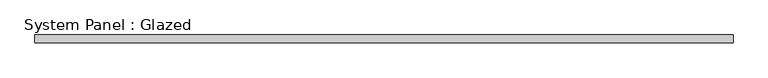
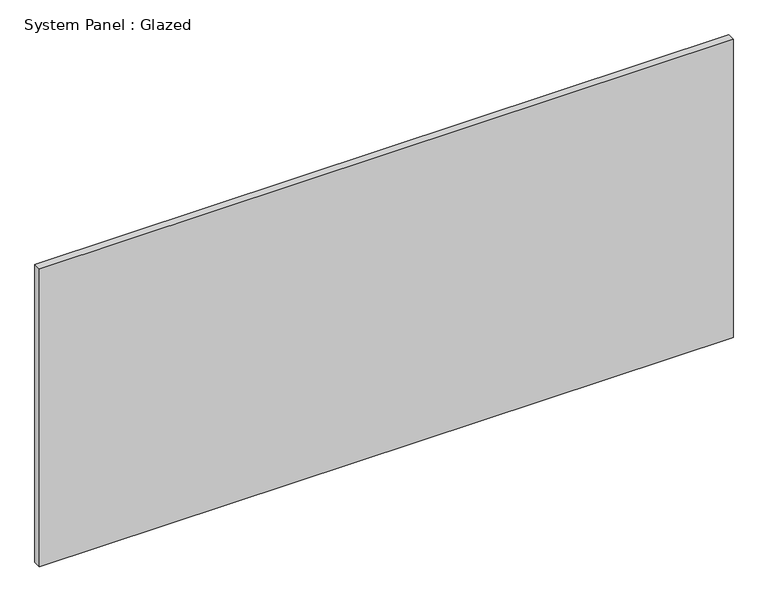
"""IFC4 building model written with IfcOpenShell, lengths in millimetres: plate geometry, System Panel : Glazed."""

import ifcopenshell
import ifcopenshell.guid

model = None  # the IFC model being written
_history = None  # IfcOwnerHistory: only IFC2X3 demands one
_inside = {}  # id of a spatial element -> (the spatial element, [elements in it])
_under = {}  # id of a project, library or spatial element -> (it, [spatial elements below it])
_declared = {}  # id of a project -> (the project, [libraries it declares])
_typed = {}  # id of a type object -> (the type object, [elements of that type])
_made_of = {}  # id of a material, layer set ... -> (it, [elements and type objects made of it])


def new_model(schema):
    """Start an empty IFC model of exactly this schema.

    Asked for "IFC4X3", IfcOpenShell would pick the latest addendum, in which some entities
    have other attributes; the version numbers below select the first issue.
    IFC2X3 requires an IfcOwnerHistory on every rooted entity: one is made here for all.
    """
    global model, _history
    if schema == "IFC4X3":
        model = ifcopenshell.file(schema_version=(4, 3, 0, 0))
    else:
        model = ifcopenshell.file(schema=schema)
    _inside.clear()
    _under.clear()
    _declared.clear()
    _typed.clear()
    _made_of.clear()
    _history = None
    if model.schema == "IFC2X3":
        org = make("IfcOrganization", Name="unknown")
        user = make(
            "IfcPersonAndOrganization",
            ThePerson=make("IfcPerson", FamilyName="unknown"),
            TheOrganization=org,
        )
        app = make(
            "IfcApplication",
            ApplicationDeveloper=org,
            Version="unknown",
            ApplicationFullName="unknown",
            ApplicationIdentifier="unknown",
        )
        _history = make(
            "IfcOwnerHistory",
            OwningUser=user,
            OwningApplication=app,
            ChangeAction="ADDED",
            CreationDate=0,
        )
    return model


def make(cls, **values):
    """One entity of the class cls with the attributes given. An attribute that is None is left unset."""
    return model.create_entity(
        cls, **{name: value for name, value in values.items() if value is not None}
    )


def rooted(cls, **values):
    """An entity with a GlobalId (a new one), such as an element, a storey or a relation."""
    return make(cls, GlobalId=ifcopenshell.guid.new(), OwnerHistory=_history, **values)


def si_unit(unit_type, name, prefix=None):
    """IfcSIUnit, for example si_unit("LENGTHUNIT", "METRE", prefix="MILLI")."""
    return make("IfcSIUnit", UnitType=unit_type, Prefix=prefix, Name=name)


def assignment(units):
    """IfcUnitAssignment: the units of a project."""
    return None if units is None else make("IfcUnitAssignment", Units=units)


def point(xyz):
    """IfcCartesianPoint."""
    return None if xyz is None else make("IfcCartesianPoint", Coordinates=xyz)


def direction(xyz):
    """IfcDirection."""
    return None if xyz is None else make("IfcDirection", DirectionRatios=xyz)


def frame(location, z_axis=None, x_axis=None):
    """IfcAxis2Placement3D, a coordinate frame: its origin and axes. An axis left out is left unset."""
    return make(
        "IfcAxis2Placement3D",
        Location=point(location),
        Axis=direction(z_axis),
        RefDirection=direction(x_axis),
    )


def origin():
    """The frame at (0, 0, 0) with its axes left unset."""
    return frame((0.0, 0.0, 0.0))


def origin_with_axes():
    """The frame at (0, 0, 0) with the z axis (0, 0, 1) and the x axis (1, 0, 0) written out."""
    return frame((0.0, 0.0, 0.0), z_axis=(0.0, 0.0, 1.0), x_axis=(1.0, 0.0, 0.0))


def place(relative_to, where):
    """IfcLocalPlacement: puts the frame where relative to a parent placement (None: the world)."""
    return make(
        "IfcLocalPlacement", PlacementRelTo=relative_to, RelativePlacement=where
    )


def context(
    kind, dimensions, precision=None, world=None, true_north=None, identifier=None
):
    """IfcGeometricRepresentationContext, for example the 3D "Model" context."""
    return make(
        "IfcGeometricRepresentationContext",
        ContextIdentifier=identifier,
        ContextType=kind,
        CoordinateSpaceDimension=dimensions,
        Precision=precision,
        WorldCoordinateSystem=world,
        TrueNorth=true_north,
    )


def project(units=None, contexts=None):
    """IfcProject with its units and contexts."""
    return rooted(
        "IfcProject",
        Name="project",
        RepresentationContexts=contexts,
        UnitsInContext=assignment(units),
    )


def spatial(cls, under=None, at=None, **own):
    """A site, building, storey or space (cls), placed at a placement, below another one or the project."""
    s = rooted(cls, ObjectPlacement=at, **own)
    if under is not None:
        _under.setdefault(under.id(), (under, []))[1].append(s)
    return s


def polyline(points):
    """IfcPolyline through the points."""
    return make("IfcPolyline", Points=[point(p) for p in points])


def outline(outer, holes=None, kind="AREA"):
    """IfcArbitraryClosedProfileDef: a profile drawn as a closed curve; with holes, ...WithVoids."""
    if holes is None:
        return make("IfcArbitraryClosedProfileDef", ProfileType=kind, OuterCurve=outer)
    return make(
        "IfcArbitraryProfileDefWithVoids",
        ProfileType=kind,
        OuterCurve=outer,
        InnerCurves=holes,
    )


def extrude(swept, where, along, depth):
    """IfcExtrudedAreaSolid: the profile swept, set in the frame where, extruded along a direction by depth."""
    return make(
        "IfcExtrudedAreaSolid",
        SweptArea=swept,
        Position=where,
        ExtrudedDirection=direction(along),
        Depth=depth,
    )


def shape(context_of_items, identifier, shape_type, items):
    """IfcShapeRepresentation: the items that make up one representation, for example the "Body"."""
    return make(
        "IfcShapeRepresentation",
        ContextOfItems=context_of_items,
        RepresentationIdentifier=identifier,
        RepresentationType=shape_type,
        Items=items,
    )


def source(mapping_origin, context_of_items, identifier, shape_type, items):
    """IfcRepresentationMap: a shape defined once, which mapped items show again and again."""
    return make(
        "IfcRepresentationMap",
        MappingOrigin=mapping_origin,
        MappedRepresentation=shape(context_of_items, identifier, shape_type, items),
    )


def transform(
    local_origin,
    x_axis=None,
    y_axis=None,
    z_axis=None,
    scale=None,
    scale2=None,
    scale3=None,
    uniform=True,
):
    """IfcCartesianTransformationOperator3D, or its non-uniform kind. x_axis, y_axis, z_axis: its Axis1, 2, 3."""
    if uniform:
        return make(
            "IfcCartesianTransformationOperator3D",
            Axis1=direction(x_axis),
            Axis2=direction(y_axis),
            LocalOrigin=point(local_origin),
            Scale=scale,
            Axis3=direction(z_axis),
        )
    return make(
        "IfcCartesianTransformationOperator3DnonUniform",
        Axis1=direction(x_axis),
        Axis2=direction(y_axis),
        LocalOrigin=point(local_origin),
        Scale=scale,
        Axis3=direction(z_axis),
        Scale2=scale2,
        Scale3=scale3,
    )


def mapped(mapping_source, mapping_target):
    """IfcMappedItem: shows the shape of a source again, moved by a transform."""
    return make(
        "IfcMappedItem", MappingSource=mapping_source, MappingTarget=mapping_target
    )


def made_of(thing, what):
    """Note that an element or type object is made of a material, layer set ...; save() writes the relation."""
    if what is not None:
        _made_of.setdefault(what.id(), (what, []))[1].append(thing)
    return thing


def element(
    cls,
    number,
    at=None,
    inside=None,
    cuts=None,
    type_object=None,
    material=None,
    context=None,
    identifier="Body",
    shape_type=None,
    held_by="IfcProductDefinitionShape",
    body=None,
    shapes=None,
    **own,
):
    """One element of the class cls, such as IfcWall. Its Tag is "e" and its number.

    at: its placement. inside: the storey or other place that contains it. cuts: it is an
    opening in that element (IfcRelVoidsElement). A single representation is given by context,
    identifier, shape_type and body (its items); several are given by shapes. held_by: the class
    of the entity that holds the representations. save() writes the other relations.
    """
    e = rooted(cls, Tag="e%d" % number, ObjectPlacement=at, **own)
    if body is not None:
        shapes = [shape(context, identifier, shape_type, body)]
    if shapes is not None:
        e.Representation = make(held_by, Representations=shapes)
    if inside is not None:
        _inside.setdefault(inside.id(), (inside, []))[1].append(e)
    if cuts is not None:
        rooted(
            "IfcRelVoidsElement", RelatingBuildingElement=cuts, RelatedOpeningElement=e
        )
    if type_object is not None:
        _typed.setdefault(type_object.id(), (type_object, []))[1].append(e)
    return made_of(e, material)


def aggregate(whole, parts):
    """IfcRelAggregates: a whole, such as a stair, and the parts it consists of."""
    return rooted("IfcRelAggregates", RelatingObject=whole, RelatedObjects=parts)


def save(model, path):
    """Write the relations noted so far, then the file.

    IfcRelAggregates (storeys below a building ...), IfcRelContainedInSpatialStructure (elements
    in a storey), IfcRelDefinesByType, IfcRelAssociatesMaterial and IfcRelDeclares: one each for
    every whole, place, type object, material and project.
    """
    for whole, parts in _under.values():
        aggregate(whole, parts)
    for where, things in _inside.values():
        rooted(
            "IfcRelContainedInSpatialStructure",
            RelatedElements=things,
            RelatingStructure=where,
        )
    for kind, things in _typed.values():
        rooted("IfcRelDefinesByType", RelatedObjects=things, RelatingType=kind)
    for what, things in _made_of.values():
        rooted("IfcRelAssociatesMaterial", RelatedObjects=things, RelatingMaterial=what)
    for by, libraries in _declared.values():
        rooted("IfcRelDeclares", RelatingContext=by, RelatedDefinitions=libraries)
    model.write(path)


def system_panel_glazed_7dea4293(model_context):
    return source(origin(), model_context, "Body", "SweptSolid", [
        extrude(outline(polyline([(1100.0, 24.5), (-1100.0, 24.5), (-1100.0, 49.5), (1100.0, 49.5), (1100.0, 24.5)])), origin_with_axes(), (0.0, 0.0, 1.0), 1000.0),
    ])


if __name__ == "__main__":
    model = new_model("IFC4")
    model_context = context("Model", 3, world=origin())
    ifc_project = project(units=[si_unit("LENGTHUNIT", "METRE", prefix="MILLI")], contexts=[model_context])
    site = spatial("IfcSite", under=ifc_project)
    building = spatial("IfcBuilding", under=site)
    placement = place(None, origin())
    system_panel_glazed_shape = system_panel_glazed_7dea4293(model_context)
    element("IfcPlate", 1, ObjectType="System Panel : Glazed", at=placement, inside=building, context=model_context, shape_type="MappedRepresentation", body=[
        mapped(system_panel_glazed_shape, transform((0.0, 0.0, 0.0), x_axis=(1.0, 0.0, 0.0), y_axis=(0.0, 1.0, 0.0), z_axis=(0.0, 0.0, 1.0))),
    ])
    save(model, "model.ifc")
